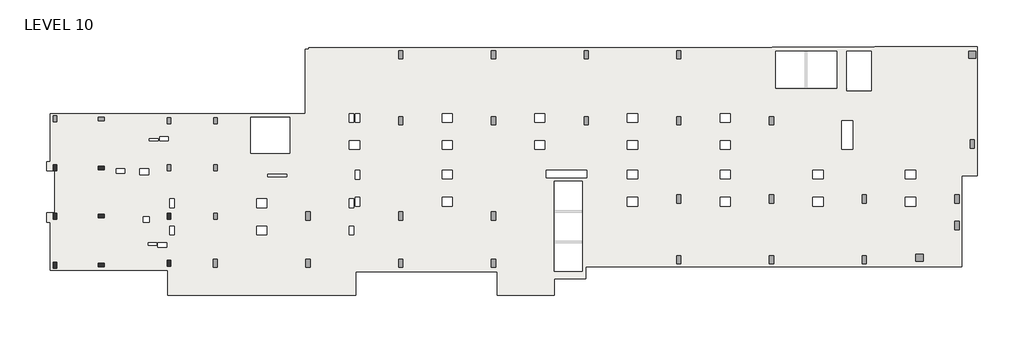
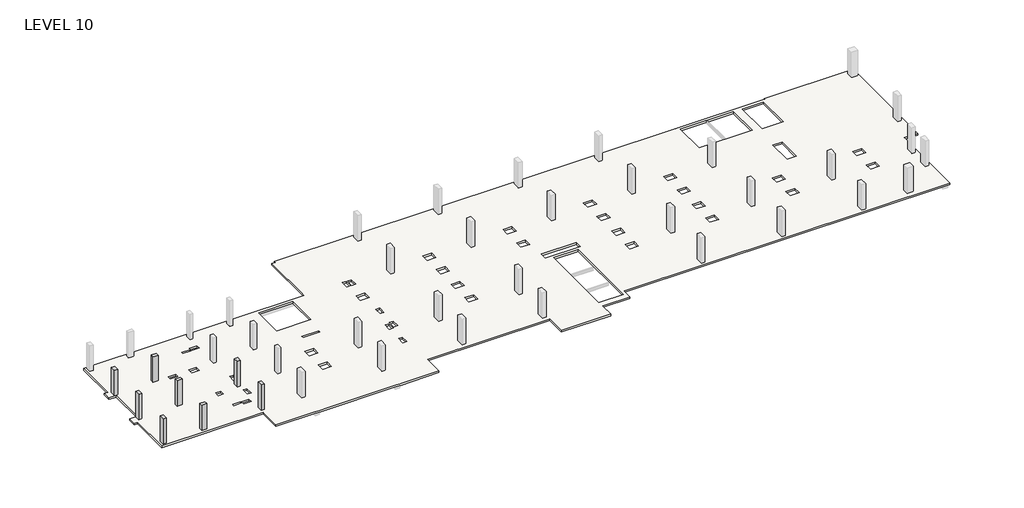
# One storey, part 1 of 2: 8 columns, 1 slab.
"""IFC4 building model written with IfcOpenShell, lengths in millimetres."""

from ifc_helpers import new_model, si_unit, frame, origin, place, context, project, spatial, polyline, outline, extrude, faceted_brep, element, save

model = new_model("IFC4")

# Units and contexts
model_context = context("Model", 3, world=origin())
ifc_project = project(units=[si_unit("LENGTHUNIT", "METRE", prefix="MILLI")], contexts=[model_context])

# Site, building, storey
site = spatial("IfcSite", under=ifc_project)
building = spatial("IfcBuilding", under=site)
storey = spatial("IfcBuildingStorey", under=building, Name="LEVEL 10", Elevation=30276.8)

# Columns
placement = place(None, origin())
element("IfcColumn", 1, ObjectType="UC Concrete-Rectangular-Column : 12 x 20", at=placement, inside=storey, context=model_context, shape_type="SweptSolid", body=[
    extrude(outline(polyline([(-12613.7610058, -25075.0962939), (-12613.7610058, -25583.0962939), (-12918.5610058, -25583.0962939), (-12918.5610058, -25075.0962939), (-12613.7610058, -25075.0962939)])), frame((0.0, 0.0, 30276.8), z_axis=(0.0, 0.0, 1.0), x_axis=(1.0, 0.0, 0.0)), (0.0, 0.0, 1.0), 2667.0),
])
element("IfcColumn", 2, ObjectType="UC Concrete-Rectangular-Column : 12 x 20", at=placement, inside=storey, context=model_context, shape_type="SweptSolid", body=[
    extrude(outline(polyline([(-9057.7610058, -25176.6962939), (-8549.7610058, -25176.6962939), (-8549.7610058, -25481.4962939), (-9057.7610058, -25481.4962939), (-9057.7610058, -25176.6962939)])), frame((0.0, 0.0, 30276.8), z_axis=(0.0, 0.0, 1.0), x_axis=(1.0, 0.0, 0.0)), (0.0, 0.0, 1.0), 2667.0),
])
element("IfcColumn", 3, ObjectType="UC Concrete-Rectangular-Column : 12 x 20", at=placement, inside=storey, context=model_context, shape_type="SweptSolid", body=[
    extrude(outline(polyline([(-12613.7610058, -29189.8962158), (-12613.7610058, -29697.8962158), (-12918.5610058, -29697.8962158), (-12918.5610058, -29189.8962158), (-12613.7610058, -29189.8962158)])), frame((0.0, 0.0, 30276.8), z_axis=(0.0, 0.0, 1.0), x_axis=(1.0, 0.0, 0.0)), (0.0, 0.0, 1.0), 2667.0),
])
element("IfcColumn", 4, ObjectType="UC Concrete-Rectangular-Column : 12 x 20", at=placement, inside=storey, context=model_context, shape_type="SweptSolid", body=[
    extrude(outline(polyline([(-8549.7610058, -29596.2962158), (-9057.7610058, -29596.2962158), (-9057.7610058, -29291.4962158), (-8549.7610058, -29291.4962158), (-8549.7610058, -29596.2962158)])), frame((0.0, 0.0, 30276.8), z_axis=(0.0, 0.0, 1.0), x_axis=(1.0, 0.0, 0.0)), (0.0, 0.0, 1.0), 2667.0),
])
element("IfcColumn", 5, ObjectType="UC Concrete-Rectangular-Column : 12 x 20", at=placement, inside=storey, context=model_context, shape_type="SweptSolid", body=[
    extrude(outline(polyline([(-12613.7610058, -33380.9107149), (-12613.7610058, -33888.9107149), (-12918.5610058, -33888.9107149), (-12918.5610058, -33380.9107149), (-12613.7610058, -33380.9107149)])), frame((0.0, 0.0, 30276.8), z_axis=(0.0, 0.0, 1.0), x_axis=(1.0, 0.0, 0.0)), (0.0, 0.0, 1.0), 2667.0),
])
element("IfcColumn", 6, ObjectType="UC Concrete-Rectangular-Column : 12 x 20", at=placement, inside=storey, context=model_context, shape_type="SweptSolid", body=[
    extrude(outline(polyline([(-9057.7610058, -33482.5107149), (-8549.7610058, -33482.5107149), (-8549.7610058, -33787.3107149), (-9057.7610058, -33787.3107149), (-9057.7610058, -33482.5107149)])), frame((0.0, 0.0, 30276.8), z_axis=(0.0, 0.0, 1.0), x_axis=(1.0, 0.0, 0.0)), (0.0, 0.0, 1.0), 2667.0),
])
element("IfcColumn", 7, ObjectType="UC Concrete-Rectangular-Column : 12 x 20", at=placement, inside=storey, context=model_context, shape_type="SweptSolid", body=[
    extrude(outline(polyline([(-2860.1610058, -29189.8962158), (-2860.1610058, -29697.8962158), (-3164.9610058, -29697.8962158), (-3164.9610058, -29189.8962158), (-2860.1610058, -29189.8962158)])), frame((0.0, 0.0, 30276.8), z_axis=(0.0, 0.0, 1.0), x_axis=(1.0, 0.0, 0.0)), (0.0, 0.0, 1.0), 2667.0),
])
element("IfcColumn", 8, ObjectType="UC Concrete-Rectangular-Column : 12 x 20", at=placement, inside=storey, context=model_context, shape_type="SweptSolid", body=[
    extrude(outline(polyline([(-2860.1610058, -33228.5107149), (-2860.1610058, -33736.5107149), (-3164.9610058, -33736.5107149), (-3164.9610058, -33228.5107149), (-2860.1610058, -33228.5107149)])), frame((0.0, 0.0, 30276.8), z_axis=(0.0, 0.0, 1.0), x_axis=(1.0, 0.0, 0.0)), (0.0, 0.0, 1.0), 2667.0),
])

# Slab
element("IfcSlab", 9, ObjectType="7\" Concrete", at=placement, inside=storey, context=model_context, shape_type="Brep", body=[
    faceted_brep([(57329.9014942, -15029.4107149, 30099.0), (57329.9014942, -14953.2107149, 30099.0), (66100.8383695, -14953.2107149, 30099.0), (66100.8383695, -25989.5107149, 30099.0), (64773.6889942, -25989.5107149, 30099.0), (64773.6889942, -33774.6107149, 30099.0), (32604.5889942, -33774.6107149, 30099.0), (32604.5889942, -34790.6107149, 30099.0), (29915.3639942, -34790.6107149, 30099.0), (29915.3639942, -36213.0107149, 30099.0), (25029.0393065, -36213.0107149, 30099.0), (25029.0393065, -34219.1107149, 30099.0), (12964.0386818, -34219.1107149, 30099.0), (12964.0386818, -36213.0107149, 30099.0), (9077.8389942, -36213.0107149, 30099.0), (8671.4389942, -36213.0107149, 30099.0), (1153.0389942, -36213.0107149, 30099.0), (746.6389942, -36213.0107149, 30099.0), (-3120.5110058, -36213.0107149, 30099.0), (-3120.5110058, -34060.3310305, 30099.0), (-13155.4513218, -34060.3310305, 30099.0), (-13155.4513218, -29958.2607149, 30099.0), (-13483.7110058, -29958.2607149, 30099.0), (-13483.7110058, -29183.5607149, 30099.0), (-12766.1169468, -29183.5607149, 30099.0), (-12766.1169468, -25589.4607149, 30099.0), (-13483.7110058, -25589.4607149, 30099.0), (-13483.7110058, -24814.7607149, 30099.0), (-13155.4513218, -24814.7607149, 30099.0), (-13155.4513218, -20712.6903994, 30099.0), (797.4389942, -20712.6903994, 30099.0), (8620.6389942, -20712.6903994, 30099.0), (8620.6389942, -15197.6857149, 30099.0), (8925.4389942, -15197.6857149, 30099.0), (8925.4389942, -15054.8107149, 30099.0), (48541.5014942, -15054.8107149, 30099.0), (48541.5014942, -15029.4107149, 30099.0), (54078.7014942, -15334.2107149, 30099.0), (48846.3014942, -15334.2107149, 30099.0), (48846.3014942, -18511.7121146, 30099.0), (54078.7014942, -18511.7121146, 30099.0), (29912.1889942, -34181.7272222, 30099.0), (32299.7889942, -34181.7272222, 30099.0), (32299.7889942, -26487.2692077, 30099.0), (29912.1889942, -26487.2692077, 30099.0), (3972.4389942, -21017.4903994, 30099.0), (3972.4389942, -24095.6232149, 30099.0), (7325.2389942, -24095.6232149, 30099.0), (7325.2389942, -21017.4903994, 30099.0), (57025.1014942, -15334.2107149, 30099.0), (54933.1413578, -15334.2107149, 30099.0), (54933.1413578, -18744.1607149, 30099.0), (57025.1014942, -18744.1607149, 30099.0), (29123.2162484, -20696.7857149, 30099.0), (28250.0617399, -20696.7857149, 30099.0), (28250.0617399, -21427.0315227, 30099.0), (29123.2162484, -21427.0315227, 30099.0), (29123.2329503, -23011.3607149, 30099.0), (28250.045038, -23011.3607149, 30099.0), (28250.045038, -23744.7857149, 30099.0), (29123.2329503, -23744.7857149, 30099.0), (37048.0162484, -20696.7857149, 30099.0), (36174.8617399, -20696.7857149, 30099.0), (36174.8617399, -21427.0315227, 30099.0), (37048.0162484, -21427.0315227, 30099.0), (37048.0329503, -23011.3607149, 30099.0), (36174.845038, -23011.3607149, 30099.0), (36174.845038, -23744.7857149, 30099.0), (37048.0329503, -23744.7857149, 30099.0), (37048.0329503, -25541.8357149, 30099.0), (36174.8784418, -25541.8357149, 30099.0), (36174.8784418, -26272.0815227, 30099.0), (37048.0329503, -26272.0815227, 30099.0), (37048.0496522, -27856.4107149, 30099.0), (36174.8617399, -27856.4107149, 30099.0), (36174.8617399, -28589.8357149, 30099.0), (37048.0496522, -28589.8357149, 30099.0), (44972.8162484, -20696.7857149, 30099.0), (44099.6617399, -20696.7857149, 30099.0), (44099.6617399, -21427.0315227, 30099.0), (44972.8162484, -21427.0315227, 30099.0), (44972.8329503, -23011.3607149, 30099.0), (44099.645038, -23011.3607149, 30099.0), (44099.645038, -23744.7857149, 30099.0), (44972.8329503, -23744.7857149, 30099.0), (44972.8329503, -25541.8357149, 30099.0), (44099.6784418, -25541.8357149, 30099.0), (44099.6784418, -26272.0815227, 30099.0), (44972.8329503, -26272.0815227, 30099.0), (44972.8496522, -27856.4107149, 30099.0), (44099.6617399, -27856.4107149, 30099.0), (44099.6617399, -28589.8357149, 30099.0), (44972.8496522, -28589.8357149, 30099.0), (55421.7306924, -21315.9107149, 30099.0), (54513.6767085, -21315.9107149, 30099.0), (54513.6767085, -23754.3107149, 30099.0), (55421.7306924, -23754.3107149, 30099.0), (52897.6329503, -25541.8357149, 30099.0), (52024.4784418, -25541.8357149, 30099.0), (52024.4784418, -26272.0815227, 30099.0), (52897.6329503, -26272.0815227, 30099.0), (52897.6496522, -27856.4107149, 30099.0), (52024.4617399, -27856.4107149, 30099.0), (52024.4617399, -28589.8357149, 30099.0), (52897.6496522, -28589.8357149, 30099.0), (60822.4329503, -25541.8357149, 30099.0), (59949.2784418, -25541.8357149, 30099.0), (59949.2784418, -26272.0815227, 30099.0), (60822.4329503, -26272.0815227, 30099.0), (60822.4496522, -27856.4107149, 30099.0), (59949.2617399, -27856.4107149, 30099.0), (59949.2617399, -28589.8357149, 30099.0), (60822.4496522, -28589.8357149, 30099.0), (21198.4162484, -20696.7857149, 30099.0), (20325.2617399, -20696.7857149, 30099.0), (20325.2617399, -21427.0315227, 30099.0), (21198.4162484, -21427.0315227, 30099.0), (21198.4329503, -23011.3607149, 30099.0), (20325.245038, -23011.3607149, 30099.0), (20325.245038, -23744.7857149, 30099.0), (21198.4329503, -23744.7857149, 30099.0), (21198.4329503, -25540.2600871, 30099.0), (20325.245038, -25540.2600871, 30099.0), (20325.245038, -26273.6850871, 30099.0), (21198.4329503, -26273.6850871, 30099.0), (21198.4329503, -27856.4247435, 30099.0), (20325.245038, -27856.4247435, 30099.0), (20325.245038, -28589.8497435, 30099.0), (21198.4329503, -28589.8497435, 30099.0), (13273.6162484, -23011.3747435, 30099.0), (12400.4283362, -23011.3747435, 30099.0), (12400.4283362, -23744.7997435, 30099.0), (13273.6162484, -23744.7997435, 30099.0), (13273.6329503, -25549.7872435, 30099.0), (12898.9511818, -25549.7872435, 30099.0), (12898.9511818, -26283.2122435, 30099.0), (13273.6329503, -26283.2122435, 30099.0), (13273.6329503, -27858.0306162, 30099.0), (12898.9511818, -27858.0306162, 30099.0), (12898.9511818, -28591.4556162, 30099.0), (13273.6329503, -28591.4556162, 30099.0), (12775.1350013, -27980.26602, 30099.0), (12400.4532328, -27980.26602, 30099.0), (12400.4532328, -28713.69102, 30099.0), (12775.1350013, -28713.69102, 30099.0), (12775.1350013, -30296.4143396, 30099.0), (12400.4532328, -30296.4143396, 30099.0), (12400.4532328, -31029.8393396, 30099.0), (12775.1350013, -31029.8393396, 30099.0), (5348.8159361, -30296.4143396, 30099.0), (4475.6620523, -30296.4143396, 30099.0), (4475.6620523, -31029.8393396, 30099.0), (5348.8159361, -31029.8393396, 30099.0), (-4736.5860058, -25391.0377141, 30099.0), (-5495.4110058, -25391.0377141, 30099.0), (-5495.4110058, -25894.3063579, 30099.0), (-4736.5860058, -25894.3063579, 30099.0), (-2575.9840639, -30297.9899072, 30099.0), (-2936.3610058, -30297.9899072, 30099.0), (-2936.3610058, -31028.2357149, 30099.0), (-2575.9840639, -31028.2357149, 30099.0), (-2575.9673621, -27980.2327488, 30099.0), (-2936.3610058, -27980.2327488, 30099.0), (-2936.3610058, -28713.6577488, 30099.0), (-2575.9673621, -28713.6577488, 30099.0), (-3955.5318136, -31734.6434324, 30099.0), (-3955.5318136, -32129.9453743, 30099.0), (-3212.5860058, -32129.9453743, 30099.0), (-3212.5860058, -31734.6434324, 30099.0), (-4809.6068136, -31744.9675477, 30099.0), (-4809.6068136, -31933.1120762, 30099.0), (-4050.7818136, -31933.1120762, 30099.0), (-4050.7818136, -31744.9675477, 30099.0), (13273.6245994, -20696.7857149, 30099.0), (12898.9428309, -20696.7857149, 30099.0), (12898.9428309, -21427.0315227, 30099.0), (13273.6245994, -21427.0315227, 30099.0), (12775.1351575, -20696.7857149, 30099.0), (12400.453389, -20696.7857149, 30099.0), (12400.453389, -21427.0315227, 30099.0), (12775.1351575, -21427.0315227, 30099.0), (-4685.7818136, -22839.9093537, 30099.0), (-4685.7818136, -23025.6779974, 30099.0), (-3926.9568136, -23025.6779974, 30099.0), (-3926.9568136, -22839.9093537, 30099.0), (-5207.5557798, -29505.837636, 30099.0), (-5207.5557798, -29980.4953131, 30099.0), (-4708.0110058, -29980.4953131, 30099.0), (-4708.0110058, -29505.837636, 30099.0), (29254.9639942, -25513.2607149, 30099.0), (29254.9639942, -26182.4692077, 30099.0), (32693.4889942, -26182.4692077, 30099.0), (32693.4889942, -25513.2607149, 30099.0), (7044.9556867, -25881.5621481, 30099.0), (5407.1871152, -25881.5621481, 30099.0), (5407.1871152, -26084.7621481, 30099.0), (7044.9556867, -26084.7621481, 30099.0), (5348.8159361, -27981.0375273, 30099.0), (4475.6620523, -27981.0375273, 30099.0), (4475.6620523, -28714.4625273, 30099.0), (5348.8159361, -28714.4625273, 30099.0), (-7516.3006019, -25401.3473693, 30099.0), (-7516.3006019, -25776.0291377, 30099.0), (-6782.8756019, -25776.0291377, 30099.0), (-6782.8756019, -25401.3473693, 30099.0), (-3826.9323811, -22647.0361423, 30099.0), (-3826.9323811, -23021.7179107, 30099.0), (-3093.5073811, -23021.7179107, 30099.0), (-3093.5073811, -22647.0361423, 30099.0), (57329.9014942, -14953.2107149, 30276.8), (57329.9014942, -15029.4107149, 30276.8), (48541.5014942, -15029.4107149, 30276.8), (48541.5014942, -15054.8107149, 30276.8), (8925.4389942, -15054.8107149, 30276.8), (8925.4389942, -15197.6857149, 30276.8), (8620.6389942, -15197.6857149, 30276.8), (8620.6389942, -20712.6903994, 30276.8), (-13155.4513218, -20712.6903994, 30276.8), (-13155.4513218, -24814.7607149, 30276.8), (-13483.7110058, -24814.7607149, 30276.8), (-13483.7110058, -25589.4607149, 30276.8), (-12766.1169468, -25589.4607149, 30276.8), (-12766.1169468, -29183.5607149, 30276.8), (-13483.7110058, -29183.5607149, 30276.8), (-13483.7110058, -29958.2607149, 30276.8), (-13155.4513218, -29958.2607149, 30276.8), (-13155.4513218, -34060.3310305, 30276.8), (-3120.5110058, -34060.3310305, 30276.8), (-3120.5110058, -36213.0107149, 30276.8), (12964.0386818, -36213.0107149, 30276.8), (12964.0386818, -34219.1107149, 30276.8), (25029.0393065, -34219.1107149, 30276.8), (25029.0393065, -36213.0107149, 30276.8), (29915.3639942, -36213.0107149, 30276.8), (29915.3639942, -34790.6107149, 30276.8), (32604.5889942, -34790.6107149, 30276.8), (32604.5889942, -33774.6107149, 30276.8), (64773.6889942, -33774.6107149, 30276.8), (64773.6889942, -25989.5107149, 30276.8), (66100.8383695, -25989.5107149, 30276.8), (66100.8383695, -14953.2107149, 30276.8), (48846.3014942, -15334.2107149, 30276.8), (54078.7014942, -15334.2107149, 30276.8), (54078.7014942, -18511.7121146, 30276.8), (48846.3014942, -18511.7121146, 30276.8), (32299.7889942, -34181.7272222, 30276.8), (29912.1889942, -34181.7272222, 30276.8), (29912.1889942, -26487.2692077, 30276.8), (32299.7889942, -26487.2692077, 30276.8), (3972.4389942, -24095.6232149, 30276.8), (3972.4389942, -21017.4903994, 30276.8), (7325.2389942, -21017.4903994, 30276.8), (7325.2389942, -24095.6232149, 30276.8), (54933.1413578, -15334.2107149, 30276.8), (57025.1014942, -15334.2107149, 30276.8), (57025.1014942, -18744.1607149, 30276.8), (54933.1413578, -18744.1607149, 30276.8), (28250.0617399, -20696.7857149, 30276.8), (29123.2162484, -20696.7857149, 30276.8), (29123.2162484, -21427.0315227, 30276.8), (28250.0617399, -21427.0315227, 30276.8), (28250.045038, -23011.3607149, 30276.8), (29123.2329503, -23011.3607149, 30276.8), (29123.2329503, -23744.7857149, 30276.8), (28250.045038, -23744.7857149, 30276.8), (36174.8617399, -20696.7857149, 30276.8), (37048.0162484, -20696.7857149, 30276.8), (37048.0162484, -21427.0315227, 30276.8), (36174.8617399, -21427.0315227, 30276.8), (36174.845038, -23011.3607149, 30276.8), (37048.0329503, -23011.3607149, 30276.8), (37048.0329503, -23744.7857149, 30276.8), (36174.845038, -23744.7857149, 30276.8), (36174.8784418, -25541.8357149, 30276.8), (37048.0329503, -25541.8357149, 30276.8), (37048.0329503, -26272.0815227, 30276.8), (36174.8784418, -26272.0815227, 30276.8), (36174.8617399, -27856.4107149, 30276.8), (37048.0496522, -27856.4107149, 30276.8), (37048.0496522, -28589.8357149, 30276.8), (36174.8617399, -28589.8357149, 30276.8), (44099.6617399, -20696.7857149, 30276.8), (44972.8162484, -20696.7857149, 30276.8), (44972.8162484, -21427.0315227, 30276.8), (44099.6617399, -21427.0315227, 30276.8), (44099.645038, -23011.3607149, 30276.8), (44972.8329503, -23011.3607149, 30276.8), (44972.8329503, -23744.7857149, 30276.8), (44099.645038, -23744.7857149, 30276.8), (44099.6784418, -25541.8357149, 30276.8), (44972.8329503, -25541.8357149, 30276.8), (44972.8329503, -26272.0815227, 30276.8), (44099.6784418, -26272.0815227, 30276.8), (44099.6617399, -27856.4107149, 30276.8), (44972.8496522, -27856.4107149, 30276.8), (44972.8496522, -28589.8357149, 30276.8), (44099.6617399, -28589.8357149, 30276.8), (54513.6767085, -21315.9107149, 30276.8), (55421.7306924, -21315.9107149, 30276.8), (55421.7306924, -23754.3107149, 30276.8), (54513.6767085, -23754.3107149, 30276.8), (52024.4784418, -25541.8357149, 30276.8), (52897.6329503, -25541.8357149, 30276.8), (52897.6329503, -26272.0815227, 30276.8), (52024.4784418, -26272.0815227, 30276.8), (52024.4617399, -27856.4107149, 30276.8), (52897.6496522, -27856.4107149, 30276.8), (52897.6496522, -28589.8357149, 30276.8), (52024.4617399, -28589.8357149, 30276.8), (59949.2784418, -25541.8357149, 30276.8), (60822.4329503, -25541.8357149, 30276.8), (60822.4329503, -26272.0815227, 30276.8), (59949.2784418, -26272.0815227, 30276.8), (59949.2617399, -27856.4107149, 30276.8), (60822.4496522, -27856.4107149, 30276.8), (60822.4496522, -28589.8357149, 30276.8), (59949.2617399, -28589.8357149, 30276.8), (20325.2617399, -20696.7857149, 30276.8), (21198.4162484, -20696.7857149, 30276.8), (21198.4162484, -21427.0315227, 30276.8), (20325.2617399, -21427.0315227, 30276.8), (20325.245038, -23011.3607149, 30276.8), (21198.4329503, -23011.3607149, 30276.8), (21198.4329503, -23744.7857149, 30276.8), (20325.245038, -23744.7857149, 30276.8), (20325.245038, -25540.2600871, 30276.8), (21198.4329503, -25540.2600871, 30276.8), (21198.4329503, -26273.6850871, 30276.8), (20325.245038, -26273.6850871, 30276.8), (20325.245038, -27856.4247435, 30276.8), (21198.4329503, -27856.4247435, 30276.8), (21198.4329503, -28589.8497435, 30276.8), (20325.245038, -28589.8497435, 30276.8), (12400.4283362, -23011.3747435, 30276.8), (13273.6162484, -23011.3747435, 30276.8), (13273.6162484, -23744.7997435, 30276.8), (12400.4283362, -23744.7997435, 30276.8), (12898.9511818, -25549.7872435, 30276.8), (13273.6329503, -25549.7872435, 30276.8), (13273.6329503, -26283.2122435, 30276.8), (12898.9511818, -26283.2122435, 30276.8), (12898.9511818, -27858.0306162, 30276.8), (13273.6329503, -27858.0306162, 30276.8), (13273.6329503, -28591.4556162, 30276.8), (12898.9511818, -28591.4556162, 30276.8), (12400.4532328, -27980.26602, 30276.8), (12775.1350013, -27980.26602, 30276.8), (12775.1350013, -28713.69102, 30276.8), (12400.4532328, -28713.69102, 30276.8), (12400.4532328, -30296.4143396, 30276.8), (12775.1350013, -30296.4143396, 30276.8), (12775.1350013, -31029.8393396, 30276.8), (12400.4532328, -31029.8393396, 30276.8), (4475.6620523, -30296.4143396, 30276.8), (5348.8159361, -30296.4143396, 30276.8), (5348.8159361, -31029.8393396, 30276.8), (4475.6620523, -31029.8393396, 30276.8), (-5495.4110058, -25391.0377141, 30276.8), (-4736.5860058, -25391.0377141, 30276.8), (-4736.5860058, -25894.3063579, 30276.8), (-5495.4110058, -25894.3063579, 30276.8), (-2936.3610058, -30297.9899072, 30276.8), (-2575.9840639, -30297.9899072, 30276.8), (-2575.9840639, -31028.2357149, 30276.8), (-2936.3610058, -31028.2357149, 30276.8), (-2936.3610058, -27980.2327488, 30276.8), (-2575.9673621, -27980.2327488, 30276.8), (-2575.9673621, -28713.6577488, 30276.8), (-2936.3610058, -28713.6577488, 30276.8), (-3955.5318136, -32129.9453743, 30276.8), (-3955.5318136, -31734.6434324, 30276.8), (-3212.5860058, -31734.6434324, 30276.8), (-3212.5860058, -32129.9453743, 30276.8), (-4809.6068136, -31933.1120762, 30276.8), (-4809.6068136, -31744.9675477, 30276.8), (-4050.7818136, -31744.9675477, 30276.8), (-4050.7818136, -31933.1120762, 30276.8), (12898.9428309, -20696.7857149, 30276.8), (13273.6245994, -20696.7857149, 30276.8), (13273.6245994, -21427.0315227, 30276.8), (12898.9428309, -21427.0315227, 30276.8), (12400.453389, -20696.7857149, 30276.8), (12775.1351575, -20696.7857149, 30276.8), (12775.1351575, -21427.0315227, 30276.8), (12400.453389, -21427.0315227, 30276.8), (-4685.7818136, -23025.6779974, 30276.8), (-4685.7818136, -22839.9093537, 30276.8), (-3926.9568136, -22839.9093537, 30276.8), (-3926.9568136, -23025.6779974, 30276.8), (-5207.5557798, -29980.4953131, 30276.8), (-5207.5557798, -29505.837636, 30276.8), (-4708.0110058, -29505.837636, 30276.8), (-4708.0110058, -29980.4953131, 30276.8), (29254.9639942, -26182.4692077, 30276.8), (29254.9639942, -25513.2607149, 30276.8), (32693.4889942, -25513.2607149, 30276.8), (32693.4889942, -26182.4692077, 30276.8), (5407.1871152, -25881.5621481, 30276.8), (7044.9556867, -25881.5621481, 30276.8), (7044.9556867, -26084.7621481, 30276.8), (5407.1871152, -26084.7621481, 30276.8), (4475.6620523, -27981.0375273, 30276.8), (5348.8159361, -27981.0375273, 30276.8), (5348.8159361, -28714.4625273, 30276.8), (4475.6620523, -28714.4625273, 30276.8), (-7516.3006019, -25776.0291377, 30276.8), (-7516.3006019, -25401.3473693, 30276.8), (-6782.8756019, -25401.3473693, 30276.8), (-6782.8756019, -25776.0291377, 30276.8), (-3826.9323811, -23021.7179107, 30276.8), (-3826.9323811, -22647.0361423, 30276.8), (-3093.5073811, -22647.0361423, 30276.8), (-3093.5073811, -23021.7179107, 30276.8)], [[[0, 1, 2, 3, 4, 5, 6, 7, 8, 9, 10, 11, 12, 13, 14, 15, 16, 17, 18, 19, 20, 21, 22, 23, 24, 25, 26, 27, 28, 29, 30, 31, 32, 33, 34, 35, 36], [37, 38, 39, 40], [41, 42, 43, 44], [45, 46, 47, 48], [49, 50, 51, 52], [53, 54, 55, 56], [57, 58, 59, 60], [61, 62, 63, 64], [65, 66, 67, 68], [69, 70, 71, 72], [73, 74, 75, 76], [77, 78, 79, 80], [81, 82, 83, 84], [85, 86, 87, 88], [89, 90, 91, 92], [93, 94, 95, 96], [97, 98, 99, 100], [101, 102, 103, 104], [105, 106, 107, 108], [109, 110, 111, 112], [113, 114, 115, 116], [117, 118, 119, 120], [121, 122, 123, 124], [125, 126, 127, 128], [129, 130, 131, 132], [133, 134, 135, 136], [137, 138, 139, 140], [141, 142, 143, 144], [145, 146, 147, 148], [149, 150, 151, 152], [153, 154, 155, 156], [157, 158, 159, 160], [161, 162, 163, 164], [165, 166, 167, 168], [169, 170, 171, 172], [173, 174, 175, 176], [177, 178, 179, 180], [181, 182, 183, 184], [185, 186, 187, 188], [189, 190, 191, 192], [193, 194, 195, 196], [197, 198, 199, 200], [201, 202, 203, 204], [205, 206, 207, 208]], [[209, 210, 211, 212, 213, 214, 215, 216, 217, 218, 219, 220, 221, 222, 223, 224, 225, 226, 227, 228, 229, 230, 231, 232, 233, 234, 235, 236, 237, 238, 239, 240], [241, 242, 243, 244], [245, 246, 247, 248], [249, 250, 251, 252], [253, 254, 255, 256], [257, 258, 259, 260], [261, 262, 263, 264], [265, 266, 267, 268], [269, 270, 271, 272], [273, 274, 275, 276], [277, 278, 279, 280], [281, 282, 283, 284], [285, 286, 287, 288], [289, 290, 291, 292], [293, 294, 295, 296], [297, 298, 299, 300], [301, 302, 303, 304], [305, 306, 307, 308], [309, 310, 311, 312], [313, 314, 315, 316], [317, 318, 319, 320], [321, 322, 323, 324], [325, 326, 327, 328], [329, 330, 331, 332], [333, 334, 335, 336], [337, 338, 339, 340], [341, 342, 343, 344], [345, 346, 347, 348], [349, 350, 351, 352], [353, 354, 355, 356], [357, 358, 359, 360], [361, 362, 363, 364], [365, 366, 367, 368], [369, 370, 371, 372], [373, 374, 375, 376], [377, 378, 379, 380], [381, 382, 383, 384], [385, 386, 387, 388], [389, 390, 391, 392], [393, 394, 395, 396], [397, 398, 399, 400], [401, 402, 403, 404], [405, 406, 407, 408], [409, 410, 411, 412]], [[37, 242, 241, 38]], [[38, 241, 244, 39]], [[39, 244, 243, 40]], [[242, 37, 40, 243]], [[41, 246, 245, 42]], [[42, 245, 248, 43]], [[43, 248, 247, 44]], [[246, 41, 44, 247]], [[249, 46, 45, 250]], [[46, 249, 252, 47]], [[47, 252, 251, 48]], [[49, 254, 253, 50]], [[50, 253, 256, 51]], [[51, 256, 255, 52]], [[254, 49, 52, 255]], [[53, 258, 257, 54]], [[54, 257, 260, 55]], [[55, 260, 259, 56]], [[258, 53, 56, 259]], [[57, 262, 261, 58]], [[58, 261, 264, 59]], [[59, 264, 263, 60]], [[262, 57, 60, 263]], [[61, 266, 265, 62]], [[62, 265, 268, 63]], [[63, 268, 267, 64]], [[266, 61, 64, 267]], [[65, 270, 269, 66]], [[66, 269, 272, 67]], [[67, 272, 271, 68]], [[270, 65, 68, 271]], [[69, 274, 273, 70]], [[70, 273, 276, 71]], [[71, 276, 275, 72]], [[274, 69, 72, 275]], [[73, 278, 277, 74]], [[74, 277, 280, 75]], [[75, 280, 279, 76]], [[278, 73, 76, 279]], [[77, 282, 281, 78]], [[78, 281, 284, 79]], [[79, 284, 283, 80]], [[282, 77, 80, 283]], [[81, 286, 285, 82]], [[82, 285, 288, 83]], [[83, 288, 287, 84]], [[286, 81, 84, 287]], [[85, 290, 289, 86]], [[86, 289, 292, 87]], [[87, 292, 291, 88]], [[290, 85, 88, 291]], [[89, 294, 293, 90]], [[90, 293, 296, 91]], [[91, 296, 295, 92]], [[294, 89, 92, 295]], [[93, 298, 297, 94]], [[94, 297, 300, 95]], [[95, 300, 299, 96]], [[298, 93, 96, 299]], [[97, 302, 301, 98]], [[98, 301, 304, 99]], [[99, 304, 303, 100]], [[302, 97, 100, 303]], [[101, 306, 305, 102]], [[102, 305, 308, 103]], [[103, 308, 307, 104]], [[306, 101, 104, 307]], [[105, 310, 309, 106]], [[106, 309, 312, 107]], [[107, 312, 311, 108]], [[310, 105, 108, 311]], [[109, 314, 313, 110]], [[110, 313, 316, 111]], [[111, 316, 315, 112]], [[314, 109, 112, 315]], [[113, 318, 317, 114]], [[114, 317, 320, 115]], [[115, 320, 319, 116]], [[318, 113, 116, 319]], [[117, 322, 321, 118]], [[118, 321, 324, 119]], [[119, 324, 323, 120]], [[322, 117, 120, 323]], [[121, 326, 325, 122]], [[122, 325, 328, 123]], [[123, 328, 327, 124]], [[326, 121, 124, 327]], [[125, 330, 329, 126]], [[126, 329, 332, 127]], [[127, 332, 331, 128]], [[330, 125, 128, 331]], [[129, 334, 333, 130]], [[130, 333, 336, 131]], [[131, 336, 335, 132]], [[334, 129, 132, 335]], [[133, 338, 337, 134]], [[134, 337, 340, 135]], [[135, 340, 339, 136]], [[338, 133, 136, 339]], [[137, 342, 341, 138]], [[138, 341, 344, 139]], [[139, 344, 343, 140]], [[342, 137, 140, 343]], [[141, 346, 345, 142]], [[142, 345, 348, 143]], [[143, 348, 347, 144]], [[346, 141, 144, 347]], [[145, 350, 349, 146]], [[146, 349, 352, 147]], [[147, 352, 351, 148]], [[350, 145, 148, 351]], [[149, 354, 353, 150]], [[150, 353, 356, 151]], [[151, 356, 355, 152]], [[354, 149, 152, 355]], [[197, 402, 401, 198]], [[198, 401, 404, 199]], [[199, 404, 403, 200]], [[402, 197, 200, 403]], [[153, 358, 357, 154]], [[154, 357, 360, 155]], [[155, 360, 359, 156]], [[358, 153, 156, 359]], [[157, 362, 361, 158]], [[158, 361, 364, 159]], [[159, 364, 363, 160]], [[362, 157, 160, 363]], [[161, 366, 365, 162]], [[162, 365, 368, 163]], [[163, 368, 367, 164]], [[366, 161, 164, 367]], [[165, 370, 369, 166]], [[166, 369, 372, 167]], [[167, 372, 371, 168]], [[370, 165, 168, 371]], [[201, 406, 405, 202]], [[202, 405, 408, 203]], [[203, 408, 407, 204]], [[406, 201, 204, 407]], [[205, 410, 409, 206]], [[206, 409, 412, 207]], [[207, 412, 411, 208]], [[410, 205, 208, 411]], [[169, 374, 373, 170]], [[170, 373, 376, 171]], [[171, 376, 375, 172]], [[374, 169, 172, 375]], [[173, 378, 377, 174]], [[174, 377, 380, 175]], [[175, 380, 379, 176]], [[378, 173, 176, 379]], [[177, 382, 381, 178]], [[178, 381, 384, 179]], [[179, 384, 383, 180]], [[382, 177, 180, 383]], [[181, 386, 385, 182]], [[182, 385, 388, 183]], [[183, 388, 387, 184]], [[386, 181, 184, 387]], [[185, 390, 389, 186]], [[186, 389, 392, 187]], [[187, 392, 391, 188]], [[390, 185, 188, 391]], [[189, 394, 393, 190]], [[190, 393, 396, 191]], [[191, 396, 395, 192]], [[394, 189, 192, 395]], [[193, 398, 397, 194]], [[194, 397, 400, 195]], [[195, 400, 399, 196]], [[398, 193, 196, 399]], [[1, 0, 210, 209]], [[2, 1, 209, 240]], [[3, 2, 240, 239]], [[4, 3, 239, 238]], [[5, 4, 238, 237]], [[6, 5, 237, 236]], [[7, 6, 236, 235]], [[8, 7, 235, 234]], [[9, 8, 234, 233]], [[10, 9, 233, 232]], [[11, 10, 232, 231]], [[12, 11, 231, 230]], [[13, 12, 230, 229]], [[18, 17, 16, 15, 14, 13, 229, 228]], [[19, 18, 228, 227]], [[20, 19, 227, 226]], [[21, 20, 226, 225]], [[22, 21, 225, 224]], [[23, 22, 224, 223]], [[24, 23, 223, 222]], [[25, 24, 222, 221]], [[26, 25, 221, 220]], [[27, 26, 220, 219]], [[28, 27, 219, 218]], [[29, 28, 218, 217]], [[31, 30, 29, 217, 216]], [[32, 31, 216, 215]], [[33, 32, 215, 214]], [[34, 33, 214, 213]], [[35, 34, 213, 212]], [[36, 35, 212, 211]], [[0, 36, 211, 210]], [[250, 45, 48, 251]]]),
])

save(model, "model.ifc")
